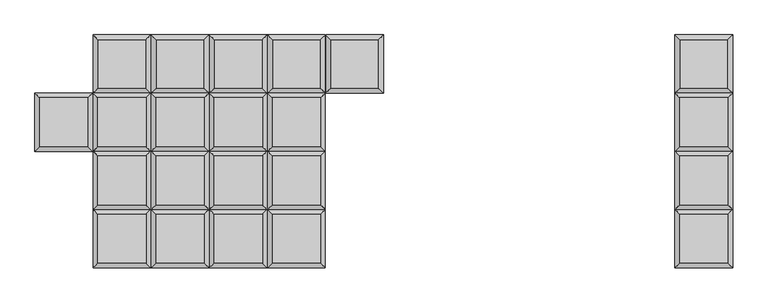
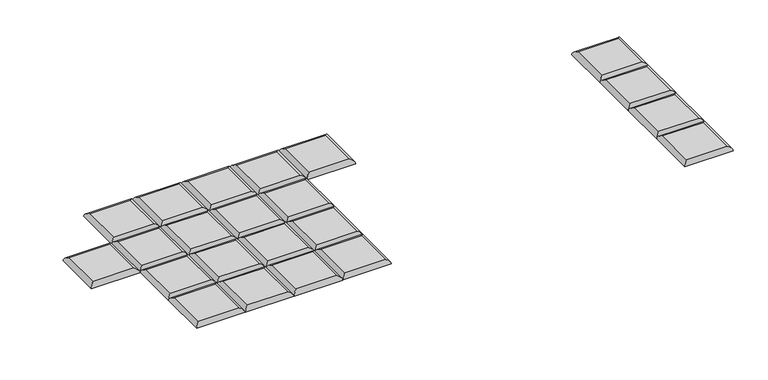
"""IFC4 building model written with IfcOpenShell, lengths in millimetres: furniture geometry."""

from ifc_helpers import new_model, si_unit, frame, origin, place, context, project, spatial, ellipse_curve, source, transform, mapped, element, save
from ifc_brep_helpers import plane_surface, cylinder_surface, advanced_brep


def furniture_31edffc7(model_context):
    return source(origin(), model_context, "Body", "AdvancedBrep", [
        advanced_brep(
        [(-1.0968182, 222.25, 393.7), (-1.0968182, 444.5, 393.7), (-19.0573304, 426.5394878, 411.6605122), (-19.0573304, 240.2105122, 411.6605122), (-220.8068182, 444.5, 393.7), (-202.8463059, 426.5394878, 411.6605122), (-220.8068182, 222.25, 393.7), (-202.8463059, 240.2105122, 411.6605122)],
        [
            (0, 1),
            (1, 2, ellipse_curve(frame((-19.0573304, 426.5394878, 393.7), z_axis=(0.7071067811865475, -0.7071067811865475, 0.0), x_axis=(-0.7071067811865474, -0.7071067811865476, 0.0)), 25.4, 17.9605122)),
            (2, 3),
            (3, 0, ellipse_curve(frame((-19.0573304, 240.2105122, 393.7), z_axis=(0.7071067811865475, 0.7071067811865475, 0.0), x_axis=(0.7071067811865474, -0.7071067811865476, 0.0)), 25.4, 17.9605122)),
            (1, 4),
            (4, 5, ellipse_curve(frame((-202.8463059, 426.5394878, 393.7), z_axis=(0.7071067811865475, 0.7071067811865475, 0.0), x_axis=(0.7071067811865476, -0.7071067811865474, 0.0)), 25.4, 17.9605122)),
            (5, 2),
            (4, 6),
            (6, 7, ellipse_curve(frame((-202.8463059, 240.2105122, 393.7), z_axis=(-0.7071067811865475, 0.7071067811865475, 0.0), x_axis=(0.7071067811865474, 0.7071067811865476, 0.0)), 25.4, 17.9605122)),
            (7, 5),
            (3, 7),
            (6, 0),
        ],
        [
            cylinder_surface(frame((-19.0573304, 222.25, 393.7), z_axis=(0.0, -1.0, 0.0), x_axis=(1.0, 0.0, 0.0)), 17.9605122),
            cylinder_surface(frame((-1.0968182, 426.5394878, 393.7), z_axis=(1.0, 0.0, 0.0), x_axis=(0.0, 1.0, 0.0)), 17.9605122),
            cylinder_surface(frame((-202.8463059, 444.5, 393.7), z_axis=(0.0, 1.0, 0.0), x_axis=(-1.0, 0.0, 0.0)), 17.9605122),
            cylinder_surface(frame((-220.8068182, 240.2105122, 393.7), z_axis=(-1.0, 0.0, 0.0), x_axis=(0.0, -1.0, 0.0)), 17.9605122),
            plane_surface(frame((-220.8068182, 222.25, 393.7), z_axis=(0.0, 0.0, -1.0), x_axis=(1.0, 0.0, 0.0))),
            plane_surface(frame((-202.8463059, 240.2105122, 411.6605122), z_axis=(0.0, 0.0, 1.0), x_axis=(-1.0, 0.0, 0.0))),
        ],
        [
            (0, [[1, 2, 3, 4]]),
            (1, [[5, 6, 7, -2]]),
            (2, [[8, 9, 10, -6]]),
            (3, [[11, -9, 12, -4]]),
            (4, [[-12, -8, -5, -1]]),
            (5, [[-7, -10, -11, -3]]),
        ],
    ),
        advanced_brep(
        [(-240.9609668, 204.2894878, 411.6605122), (-424.7499423, 204.2894878, 411.6605122), (-424.7499423, 17.9605122, 411.6605122), (-240.9609668, 17.9605122, 411.6605122), (-223.0004545, 0.0, 393.7), (-442.7104545, 0.0, 393.7), (-442.7104545, 222.25, 393.7), (-223.0004545, 222.25, 393.7)],
        [
            (0, 1),
            (1, 2),
            (2, 3),
            (3, 0),
            (4, 5),
            (5, 6),
            (6, 7),
            (7, 4),
            (7, 0, ellipse_curve(frame((-240.9609668, 204.2894878, 393.7), z_axis=(0.7071067811865475, -0.7071067811865475, 0.0), x_axis=(-0.7071067811865474, -0.7071067811865476, 0.0)), 25.4, 17.9605122)),
            (3, 4, ellipse_curve(frame((-240.9609668, 17.9605122, 393.7), z_axis=(0.7071067811865475, 0.7071067811865475, 0.0), x_axis=(0.7071067811865474, -0.7071067811865476, 0.0)), 25.4, 17.9605122)),
            (6, 1, ellipse_curve(frame((-424.7499423, 204.2894878, 393.7), z_axis=(0.7071067811865475, 0.7071067811865475, 0.0), x_axis=(0.7071067811865476, -0.7071067811865474, 0.0)), 25.4, 17.9605122)),
            (5, 2, ellipse_curve(frame((-424.7499423, 17.9605122, 393.7), z_axis=(-0.7071067811865475, 0.7071067811865475, 0.0), x_axis=(0.7071067811865474, 0.7071067811865476, 0.0)), 25.4, 17.9605122)),
        ],
        [
            plane_surface(frame((-424.7499423, 17.9605122, 411.6605122), z_axis=(0.0, 0.0, 1.0), x_axis=(-1.0, 0.0, 0.0))),
            plane_surface(frame((-424.7499423, 17.9605122, 393.7), z_axis=(0.0, 0.0, -1.0), x_axis=(1.0, 0.0, 0.0))),
            cylinder_surface(frame((-240.9609668, 0.0, 393.7), z_axis=(0.0, -1.0, 0.0), x_axis=(1.0, 0.0, 0.0)), 17.9605122),
            cylinder_surface(frame((-223.0004545, 204.2894878, 393.7), z_axis=(1.0, 0.0, 0.0), x_axis=(0.0, 1.0, 0.0)), 17.9605122),
            cylinder_surface(frame((-424.7499423, 222.25, 393.7), z_axis=(0.0, 1.0, 0.0), x_axis=(-1.0, 0.0, 0.0)), 17.9605122),
            cylinder_surface(frame((-442.7104545, 17.9605122, 393.7), z_axis=(-1.0, 0.0, 0.0), x_axis=(0.0, -1.0, 0.0)), 17.9605122),
        ],
        [
            (0, [[1, 2, 3, 4]]),
            (1, [[5, 6, 7, 8]]),
            (2, [[-8, 9, -4, 10]]),
            (3, [[-7, 11, -1, -9]]),
            (4, [[-6, 12, -2, -11]]),
            (5, [[-3, -12, -5, -10]]),
        ],
    ),
        advanced_brep(
        [(-240.9609668, -17.9605122, 411.6605122), (-424.7499423, -17.9605122, 411.6605122), (-424.7499423, -204.2894878, 411.6605122), (-240.9609668, -204.2894878, 411.6605122), (-223.0004545, -222.25, 393.7), (-442.7104545, -222.25, 393.7), (-442.7104545, 0.0, 393.7), (-223.0004545, 0.0, 393.7)],
        [
            (0, 1),
            (1, 2),
            (2, 3),
            (3, 0),
            (4, 5),
            (5, 6),
            (6, 7),
            (7, 4),
            (7, 0, ellipse_curve(frame((-240.9609668, -17.9605122, 393.7), z_axis=(0.7071067811865475, -0.7071067811865475, 0.0), x_axis=(-0.7071067811865474, -0.7071067811865476, 0.0)), 25.4, 17.9605122)),
            (3, 4, ellipse_curve(frame((-240.9609668, -204.2894878, 393.7), z_axis=(0.7071067811865475, 0.7071067811865475, 0.0), x_axis=(0.7071067811865474, -0.7071067811865476, 0.0)), 25.4, 17.9605122)),
            (6, 1, ellipse_curve(frame((-424.7499423, -17.9605122, 393.7), z_axis=(0.7071067811865475, 0.7071067811865475, 0.0), x_axis=(0.7071067811865476, -0.7071067811865474, 0.0)), 25.4, 17.9605122)),
            (5, 2, ellipse_curve(frame((-424.7499423, -204.2894878, 393.7), z_axis=(-0.7071067811865475, 0.7071067811865475, 0.0), x_axis=(0.7071067811865474, 0.7071067811865476, 0.0)), 25.4, 17.9605122)),
        ],
        [
            plane_surface(frame((-424.7499423, -204.2894878, 411.6605122), z_axis=(0.0, 0.0, 1.0), x_axis=(-1.0, 0.0, 0.0))),
            plane_surface(frame((-424.7499423, -204.2894878, 393.7), z_axis=(0.0, 0.0, -1.0), x_axis=(1.0, 0.0, 0.0))),
            cylinder_surface(frame((-240.9609668, -222.25, 393.7), z_axis=(0.0, -1.0, 0.0), x_axis=(1.0, 0.0, 0.0)), 17.9605122),
            cylinder_surface(frame((-223.0004545, -17.9605122, 393.7), z_axis=(1.0, 0.0, 0.0), x_axis=(0.0, 1.0, 0.0)), 17.9605122),
            cylinder_surface(frame((-424.7499423, 0.0, 393.7), z_axis=(0.0, 1.0, 0.0), x_axis=(-1.0, 0.0, 0.0)), 17.9605122),
            cylinder_surface(frame((-442.7104545, -204.2894878, 393.7), z_axis=(-1.0, 0.0, 0.0), x_axis=(0.0, -1.0, 0.0)), 17.9605122),
        ],
        [
            (0, [[1, 2, 3, 4]]),
            (1, [[5, 6, 7, 8]]),
            (2, [[-8, 9, -4, 10]]),
            (3, [[-7, 11, -1, -9]]),
            (4, [[-6, 12, -2, -11]]),
            (5, [[-3, -12, -5, -10]]),
        ],
    ),
        advanced_brep(
        [(-240.9609668, -240.2105122, 411.6605122), (-424.7499423, -240.2105122, 411.6605122), (-424.7499423, -426.5394878, 411.6605122), (-240.9609668, -426.5394878, 411.6605122), (-223.0004545, -444.5, 393.7), (-442.7104545, -444.5, 393.7), (-442.7104545, -222.25, 393.7), (-223.0004545, -222.25, 393.7)],
        [
            (0, 1),
            (1, 2),
            (2, 3),
            (3, 0),
            (4, 5),
            (5, 6),
            (6, 7),
            (7, 4),
            (7, 0, ellipse_curve(frame((-240.9609668, -240.2105122, 393.7), z_axis=(0.7071067811865475, -0.7071067811865475, 0.0), x_axis=(-0.7071067811865474, -0.7071067811865476, 0.0)), 25.4, 17.9605122)),
            (3, 4, ellipse_curve(frame((-240.9609668, -426.5394878, 393.7), z_axis=(0.7071067811865475, 0.7071067811865475, 0.0), x_axis=(0.7071067811865474, -0.7071067811865476, 0.0)), 25.4, 17.9605122)),
            (6, 1, ellipse_curve(frame((-424.7499423, -240.2105122, 393.7), z_axis=(0.7071067811865475, 0.7071067811865475, 0.0), x_axis=(0.7071067811865476, -0.7071067811865474, 0.0)), 25.4, 17.9605122)),
            (5, 2, ellipse_curve(frame((-424.7499423, -426.5394878, 393.7), z_axis=(-0.7071067811865475, 0.7071067811865475, 0.0), x_axis=(0.7071067811865474, 0.7071067811865476, 0.0)), 25.4, 17.9605122)),
        ],
        [
            plane_surface(frame((-424.7499423, -426.5394878, 411.6605122), z_axis=(0.0, 0.0, 1.0), x_axis=(-1.0, 0.0, 0.0))),
            plane_surface(frame((-424.7499423, -426.5394878, 393.7), z_axis=(0.0, 0.0, -1.0), x_axis=(1.0, 0.0, 0.0))),
            cylinder_surface(frame((-240.9609668, -444.5, 393.7), z_axis=(0.0, -1.0, 0.0), x_axis=(1.0, 0.0, 0.0)), 17.9605122),
            cylinder_surface(frame((-223.0004545, -240.2105122, 393.7), z_axis=(1.0, 0.0, 0.0), x_axis=(0.0, 1.0, 0.0)), 17.9605122),
            cylinder_surface(frame((-424.7499423, -222.25, 393.7), z_axis=(0.0, 1.0, 0.0), x_axis=(-1.0, 0.0, 0.0)), 17.9605122),
            cylinder_surface(frame((-442.7104545, -426.5394878, 393.7), z_axis=(-1.0, 0.0, 0.0), x_axis=(0.0, -1.0, 0.0)), 17.9605122),
        ],
        [
            (0, [[1, 2, 3, 4]]),
            (1, [[5, 6, 7, 8]]),
            (2, [[-8, 9, -4, 10]]),
            (3, [[-7, 11, -1, -9]]),
            (4, [[-6, 12, -2, -11]]),
            (5, [[-3, -12, -5, -10]]),
        ],
    ),
        advanced_brep(
        [(-223.0004545, 222.25, 393.7), (-223.0004545, 444.5, 393.7), (-240.9609668, 426.5394878, 411.6605122), (-240.9609668, 240.2105122, 411.6605122), (-442.7104545, 444.5, 393.7), (-424.7499423, 426.5394878, 411.6605122), (-442.7104545, 222.25, 393.7), (-424.7499423, 240.2105122, 411.6605122)],
        [
            (0, 1),
            (1, 2, ellipse_curve(frame((-240.9609668, 426.5394878, 393.7), z_axis=(0.7071067811865475, -0.7071067811865475, 0.0), x_axis=(-0.7071067811865474, -0.7071067811865476, 0.0)), 25.4, 17.9605122)),
            (2, 3),
            (3, 0, ellipse_curve(frame((-240.9609668, 240.2105122, 393.7), z_axis=(0.7071067811865475, 0.7071067811865475, 0.0), x_axis=(0.7071067811865474, -0.7071067811865476, 0.0)), 25.4, 17.9605122)),
            (1, 4),
            (4, 5, ellipse_curve(frame((-424.7499423, 426.5394878, 393.7), z_axis=(0.7071067811865475, 0.7071067811865475, 0.0), x_axis=(0.7071067811865476, -0.7071067811865474, 0.0)), 25.4, 17.9605122)),
            (5, 2),
            (4, 6),
            (6, 7, ellipse_curve(frame((-424.7499423, 240.2105122, 393.7), z_axis=(-0.7071067811865475, 0.7071067811865475, 0.0), x_axis=(0.7071067811865474, 0.7071067811865476, 0.0)), 25.4, 17.9605122)),
            (7, 5),
            (3, 7),
            (6, 0),
        ],
        [
            cylinder_surface(frame((-240.9609668, 222.25, 393.7), z_axis=(0.0, -1.0, 0.0), x_axis=(1.0, 0.0, 0.0)), 17.9605122),
            cylinder_surface(frame((-223.0004545, 426.5394878, 393.7), z_axis=(1.0, 0.0, 0.0), x_axis=(0.0, 1.0, 0.0)), 17.9605122),
            cylinder_surface(frame((-424.7499423, 444.5, 393.7), z_axis=(0.0, 1.0, 0.0), x_axis=(-1.0, 0.0, 0.0)), 17.9605122),
            cylinder_surface(frame((-442.7104545, 240.2105122, 393.7), z_axis=(-1.0, 0.0, 0.0), x_axis=(0.0, -1.0, 0.0)), 17.9605122),
            plane_surface(frame((-442.7104545, 222.25, 393.7), z_axis=(0.0, 0.0, -1.0), x_axis=(1.0, 0.0, 0.0))),
            plane_surface(frame((-424.7499423, 240.2105122, 411.6605122), z_axis=(0.0, 0.0, 1.0), x_axis=(-1.0, 0.0, 0.0))),
        ],
        [
            (0, [[1, 2, 3, 4]]),
            (1, [[5, 6, 7, -2]]),
            (2, [[8, 9, 10, -6]]),
            (3, [[11, -9, 12, -4]]),
            (4, [[-12, -8, -5, -1]]),
            (5, [[-7, -10, -11, -3]]),
        ],
    ),
        advanced_brep(
        [(-462.8646032, 204.2894878, 411.6605122), (-646.6535787, 204.2894878, 411.6605122), (-646.6535787, 17.9605122, 411.6605122), (-462.8646032, 17.9605122, 411.6605122), (-444.9040909, 0.0, 393.7), (-664.6140909, 0.0, 393.7), (-664.6140909, 222.25, 393.7), (-444.9040909, 222.25, 393.7)],
        [
            (0, 1),
            (1, 2),
            (2, 3),
            (3, 0),
            (4, 5),
            (5, 6),
            (6, 7),
            (7, 4),
            (7, 0, ellipse_curve(frame((-462.8646032, 204.2894878, 393.7), z_axis=(0.7071067811865475, -0.7071067811865475, 0.0), x_axis=(-0.7071067811865474, -0.7071067811865476, 0.0)), 25.4, 17.9605122)),
            (3, 4, ellipse_curve(frame((-462.8646032, 17.9605122, 393.7), z_axis=(0.7071067811865475, 0.7071067811865475, 0.0), x_axis=(0.7071067811865474, -0.7071067811865476, 0.0)), 25.4, 17.9605122)),
            (6, 1, ellipse_curve(frame((-646.6535787, 204.2894878, 393.7), z_axis=(0.7071067811865475, 0.7071067811865475, 0.0), x_axis=(0.7071067811865476, -0.7071067811865474, 0.0)), 25.4, 17.9605122)),
            (5, 2, ellipse_curve(frame((-646.6535787, 17.9605122, 393.7), z_axis=(-0.7071067811865475, 0.7071067811865475, 0.0), x_axis=(0.7071067811865474, 0.7071067811865476, 0.0)), 25.4, 17.9605122)),
        ],
        [
            plane_surface(frame((-646.6535787, 17.9605122, 411.6605122), z_axis=(0.0, 0.0, 1.0), x_axis=(-1.0, 0.0, 0.0))),
            plane_surface(frame((-646.6535787, 17.9605122, 393.7), z_axis=(0.0, 0.0, -1.0), x_axis=(1.0, 0.0, 0.0))),
            cylinder_surface(frame((-462.8646032, 0.0, 393.7), z_axis=(0.0, -1.0, 0.0), x_axis=(1.0, 0.0, 0.0)), 17.9605122),
            cylinder_surface(frame((-444.9040909, 204.2894878, 393.7), z_axis=(1.0, 0.0, 0.0), x_axis=(0.0, 1.0, 0.0)), 17.9605122),
            cylinder_surface(frame((-646.6535787, 222.25, 393.7), z_axis=(0.0, 1.0, 0.0), x_axis=(-1.0, 0.0, 0.0)), 17.9605122),
            cylinder_surface(frame((-664.6140909, 17.9605122, 393.7), z_axis=(-1.0, 0.0, 0.0), x_axis=(0.0, -1.0, 0.0)), 17.9605122),
        ],
        [
            (0, [[1, 2, 3, 4]]),
            (1, [[5, 6, 7, 8]]),
            (2, [[-8, 9, -4, 10]]),
            (3, [[-7, 11, -1, -9]]),
            (4, [[-6, 12, -2, -11]]),
            (5, [[-3, -12, -5, -10]]),
        ],
    ),
        advanced_brep(
        [(-462.8646032, -17.9605122, 411.6605122), (-646.6535787, -17.9605122, 411.6605122), (-646.6535787, -204.2894878, 411.6605122), (-462.8646032, -204.2894878, 411.6605122), (-444.9040909, -222.25, 393.7), (-664.6140909, -222.25, 393.7), (-664.6140909, 0.0, 393.7), (-444.9040909, 0.0, 393.7)],
        [
            (0, 1),
            (1, 2),
            (2, 3),
            (3, 0),
            (4, 5),
            (5, 6),
            (6, 7),
            (7, 4),
            (7, 0, ellipse_curve(frame((-462.8646032, -17.9605122, 393.7), z_axis=(0.7071067811865475, -0.7071067811865475, 0.0), x_axis=(-0.7071067811865474, -0.7071067811865476, 0.0)), 25.4, 17.9605122)),
            (3, 4, ellipse_curve(frame((-462.8646032, -204.2894878, 393.7), z_axis=(0.7071067811865475, 0.7071067811865475, 0.0), x_axis=(0.7071067811865474, -0.7071067811865476, 0.0)), 25.4, 17.9605122)),
            (6, 1, ellipse_curve(frame((-646.6535787, -17.9605122, 393.7), z_axis=(0.7071067811865475, 0.7071067811865475, 0.0), x_axis=(0.7071067811865476, -0.7071067811865474, 0.0)), 25.4, 17.9605122)),
            (5, 2, ellipse_curve(frame((-646.6535787, -204.2894878, 393.7), z_axis=(-0.7071067811865475, 0.7071067811865475, 0.0), x_axis=(0.7071067811865474, 0.7071067811865476, 0.0)), 25.4, 17.9605122)),
        ],
        [
            plane_surface(frame((-646.6535787, -204.2894878, 411.6605122), z_axis=(0.0, 0.0, 1.0), x_axis=(-1.0, 0.0, 0.0))),
            plane_surface(frame((-646.6535787, -204.2894878, 393.7), z_axis=(0.0, 0.0, -1.0), x_axis=(1.0, 0.0, 0.0))),
            cylinder_surface(frame((-462.8646032, -222.25, 393.7), z_axis=(0.0, -1.0, 0.0), x_axis=(1.0, 0.0, 0.0)), 17.9605122),
            cylinder_surface(frame((-444.9040909, -17.9605122, 393.7), z_axis=(1.0, 0.0, 0.0), x_axis=(0.0, 1.0, 0.0)), 17.9605122),
            cylinder_surface(frame((-646.6535787, 0.0, 393.7), z_axis=(0.0, 1.0, 0.0), x_axis=(-1.0, 0.0, 0.0)), 17.9605122),
            cylinder_surface(frame((-664.6140909, -204.2894878, 393.7), z_axis=(-1.0, 0.0, 0.0), x_axis=(0.0, -1.0, 0.0)), 17.9605122),
        ],
        [
            (0, [[1, 2, 3, 4]]),
            (1, [[5, 6, 7, 8]]),
            (2, [[-8, 9, -4, 10]]),
            (3, [[-7, 11, -1, -9]]),
            (4, [[-6, 12, -2, -11]]),
            (5, [[-3, -12, -5, -10]]),
        ],
    ),
        advanced_brep(
        [(-462.8646032, -240.2105122, 411.6605122), (-646.6535787, -240.2105122, 411.6605122), (-646.6535787, -426.5394878, 411.6605122), (-462.8646032, -426.5394878, 411.6605122), (-444.9040909, -444.5, 393.7), (-664.6140909, -444.5, 393.7), (-664.6140909, -222.25, 393.7), (-444.9040909, -222.25, 393.7)],
        [
            (0, 1),
            (1, 2),
            (2, 3),
            (3, 0),
            (4, 5),
            (5, 6),
            (6, 7),
            (7, 4),
            (7, 0, ellipse_curve(frame((-462.8646032, -240.2105122, 393.7), z_axis=(0.7071067811865475, -0.7071067811865475, 0.0), x_axis=(-0.7071067811865474, -0.7071067811865476, 0.0)), 25.4, 17.9605122)),
            (3, 4, ellipse_curve(frame((-462.8646032, -426.5394878, 393.7), z_axis=(0.7071067811865475, 0.7071067811865475, 0.0), x_axis=(0.7071067811865474, -0.7071067811865476, 0.0)), 25.4, 17.9605122)),
            (6, 1, ellipse_curve(frame((-646.6535787, -240.2105122, 393.7), z_axis=(0.7071067811865475, 0.7071067811865475, 0.0), x_axis=(0.7071067811865476, -0.7071067811865474, 0.0)), 25.4, 17.9605122)),
            (5, 2, ellipse_curve(frame((-646.6535787, -426.5394878, 393.7), z_axis=(-0.7071067811865475, 0.7071067811865475, 0.0), x_axis=(0.7071067811865474, 0.7071067811865476, 0.0)), 25.4, 17.9605122)),
        ],
        [
            plane_surface(frame((-646.6535787, -426.5394878, 411.6605122), z_axis=(0.0, 0.0, 1.0), x_axis=(-1.0, 0.0, 0.0))),
            plane_surface(frame((-646.6535787, -426.5394878, 393.7), z_axis=(0.0, 0.0, -1.0), x_axis=(1.0, 0.0, 0.0))),
            cylinder_surface(frame((-462.8646032, -444.5, 393.7), z_axis=(0.0, -1.0, 0.0), x_axis=(1.0, 0.0, 0.0)), 17.9605122),
            cylinder_surface(frame((-444.9040909, -240.2105122, 393.7), z_axis=(1.0, 0.0, 0.0), x_axis=(0.0, 1.0, 0.0)), 17.9605122),
            cylinder_surface(frame((-646.6535787, -222.25, 393.7), z_axis=(0.0, 1.0, 0.0), x_axis=(-1.0, 0.0, 0.0)), 17.9605122),
            cylinder_surface(frame((-664.6140909, -426.5394878, 393.7), z_axis=(-1.0, 0.0, 0.0), x_axis=(0.0, -1.0, 0.0)), 17.9605122),
        ],
        [
            (0, [[1, 2, 3, 4]]),
            (1, [[5, 6, 7, 8]]),
            (2, [[-8, 9, -4, 10]]),
            (3, [[-7, 11, -1, -9]]),
            (4, [[-6, 12, -2, -11]]),
            (5, [[-3, -12, -5, -10]]),
        ],
    ),
        advanced_brep(
        [(-444.9040909, 222.25, 393.7), (-444.9040909, 444.5, 393.7), (-462.8646032, 426.5394878, 411.6605122), (-462.8646032, 240.2105122, 411.6605122), (-664.6140909, 444.5, 393.7), (-646.6535787, 426.5394878, 411.6605122), (-664.6140909, 222.25, 393.7), (-646.6535787, 240.2105122, 411.6605122)],
        [
            (0, 1),
            (1, 2, ellipse_curve(frame((-462.8646032, 426.5394878, 393.7), z_axis=(0.7071067811865475, -0.7071067811865475, 0.0), x_axis=(-0.7071067811865474, -0.7071067811865476, 0.0)), 25.4, 17.9605122)),
            (2, 3),
            (3, 0, ellipse_curve(frame((-462.8646032, 240.2105122, 393.7), z_axis=(0.7071067811865475, 0.7071067811865475, 0.0), x_axis=(0.7071067811865474, -0.7071067811865476, 0.0)), 25.4, 17.9605122)),
            (1, 4),
            (4, 5, ellipse_curve(frame((-646.6535787, 426.5394878, 393.7), z_axis=(0.7071067811865475, 0.7071067811865475, 0.0), x_axis=(0.7071067811865476, -0.7071067811865474, 0.0)), 25.4, 17.9605122)),
            (5, 2),
            (4, 6),
            (6, 7, ellipse_curve(frame((-646.6535787, 240.2105122, 393.7), z_axis=(-0.7071067811865475, 0.7071067811865475, 0.0), x_axis=(0.7071067811865474, 0.7071067811865476, 0.0)), 25.4, 17.9605122)),
            (7, 5),
            (3, 7),
            (6, 0),
        ],
        [
            cylinder_surface(frame((-462.8646032, 222.25, 393.7), z_axis=(0.0, -1.0, 0.0), x_axis=(1.0, 0.0, 0.0)), 17.9605122),
            cylinder_surface(frame((-444.9040909, 426.5394878, 393.7), z_axis=(1.0, 0.0, 0.0), x_axis=(0.0, 1.0, 0.0)), 17.9605122),
            cylinder_surface(frame((-646.6535787, 444.5, 393.7), z_axis=(0.0, 1.0, 0.0), x_axis=(-1.0, 0.0, 0.0)), 17.9605122),
            cylinder_surface(frame((-664.6140909, 240.2105122, 393.7), z_axis=(-1.0, 0.0, 0.0), x_axis=(0.0, -1.0, 0.0)), 17.9605122),
            plane_surface(frame((-664.6140909, 222.25, 393.7), z_axis=(0.0, 0.0, -1.0), x_axis=(1.0, 0.0, 0.0))),
            plane_surface(frame((-646.6535787, 240.2105122, 411.6605122), z_axis=(0.0, 0.0, 1.0), x_axis=(-1.0, 0.0, 0.0))),
        ],
        [
            (0, [[1, 2, 3, 4]]),
            (1, [[5, 6, 7, -2]]),
            (2, [[8, 9, 10, -6]]),
            (3, [[11, -9, 12, -4]]),
            (4, [[-12, -8, -5, -1]]),
            (5, [[-7, -10, -11, -3]]),
        ],
    ),
        advanced_brep(
        [(-684.7682395, 204.2894878, 411.6605122), (-868.557215, 204.2894878, 411.6605122), (-868.557215, 17.9605122, 411.6605122), (-684.7682395, 17.9605122, 411.6605122), (-666.8077273, 0.0, 393.7), (-886.5177273, 0.0, 393.7), (-886.5177273, 222.25, 393.7), (-666.8077273, 222.25, 393.7)],
        [
            (0, 1),
            (1, 2),
            (2, 3),
            (3, 0),
            (4, 5),
            (5, 6),
            (6, 7),
            (7, 4),
            (7, 0, ellipse_curve(frame((-684.7682395, 204.2894878, 393.7), z_axis=(0.7071067811865475, -0.7071067811865475, 0.0), x_axis=(-0.7071067811865474, -0.7071067811865476, 0.0)), 25.4, 17.9605122)),
            (3, 4, ellipse_curve(frame((-684.7682395, 17.9605122, 393.7), z_axis=(0.7071067811865475, 0.7071067811865475, 0.0), x_axis=(0.7071067811865474, -0.7071067811865476, 0.0)), 25.4, 17.9605122)),
            (6, 1, ellipse_curve(frame((-868.557215, 204.2894878, 393.7), z_axis=(0.7071067811865475, 0.7071067811865475, 0.0), x_axis=(0.7071067811865476, -0.7071067811865474, 0.0)), 25.4, 17.9605122)),
            (5, 2, ellipse_curve(frame((-868.557215, 17.9605122, 393.7), z_axis=(-0.7071067811865475, 0.7071067811865475, 0.0), x_axis=(0.7071067811865474, 0.7071067811865476, 0.0)), 25.4, 17.9605122)),
        ],
        [
            plane_surface(frame((-868.557215, 17.9605122, 411.6605122), z_axis=(0.0, 0.0, 1.0), x_axis=(-1.0, 0.0, 0.0))),
            plane_surface(frame((-868.557215, 17.9605122, 393.7), z_axis=(0.0, 0.0, -1.0), x_axis=(1.0, 0.0, 0.0))),
            cylinder_surface(frame((-684.7682395, 0.0, 393.7), z_axis=(0.0, -1.0, 0.0), x_axis=(1.0, 0.0, 0.0)), 17.9605122),
            cylinder_surface(frame((-666.8077273, 204.2894878, 393.7), z_axis=(1.0, 0.0, 0.0), x_axis=(0.0, 1.0, 0.0)), 17.9605122),
            cylinder_surface(frame((-868.557215, 222.25, 393.7), z_axis=(0.0, 1.0, 0.0), x_axis=(-1.0, 0.0, 0.0)), 17.9605122),
            cylinder_surface(frame((-886.5177273, 17.9605122, 393.7), z_axis=(-1.0, 0.0, 0.0), x_axis=(0.0, -1.0, 0.0)), 17.9605122),
        ],
        [
            (0, [[1, 2, 3, 4]]),
            (1, [[5, 6, 7, 8]]),
            (2, [[-8, 9, -4, 10]]),
            (3, [[-7, 11, -1, -9]]),
            (4, [[-6, 12, -2, -11]]),
            (5, [[-3, -12, -5, -10]]),
        ],
    ),
        advanced_brep(
        [(-684.7682395, -17.9605122, 411.6605122), (-868.557215, -17.9605122, 411.6605122), (-868.557215, -204.2894878, 411.6605122), (-684.7682395, -204.2894878, 411.6605122), (-666.8077273, -222.25, 393.7), (-886.5177273, -222.25, 393.7), (-886.5177273, 0.0, 393.7), (-666.8077273, 0.0, 393.7)],
        [
            (0, 1),
            (1, 2),
            (2, 3),
            (3, 0),
            (4, 5),
            (5, 6),
            (6, 7),
            (7, 4),
            (7, 0, ellipse_curve(frame((-684.7682395, -17.9605122, 393.7), z_axis=(0.7071067811865475, -0.7071067811865475, 0.0), x_axis=(-0.7071067811865474, -0.7071067811865476, 0.0)), 25.4, 17.9605122)),
            (3, 4, ellipse_curve(frame((-684.7682395, -204.2894878, 393.7), z_axis=(0.7071067811865475, 0.7071067811865475, 0.0), x_axis=(0.7071067811865474, -0.7071067811865476, 0.0)), 25.4, 17.9605122)),
            (6, 1, ellipse_curve(frame((-868.557215, -17.9605122, 393.7), z_axis=(0.7071067811865475, 0.7071067811865475, 0.0), x_axis=(0.7071067811865476, -0.7071067811865474, 0.0)), 25.4, 17.9605122)),
            (5, 2, ellipse_curve(frame((-868.557215, -204.2894878, 393.7), z_axis=(-0.7071067811865475, 0.7071067811865475, 0.0), x_axis=(0.7071067811865474, 0.7071067811865476, 0.0)), 25.4, 17.9605122)),
        ],
        [
            plane_surface(frame((-868.557215, -204.2894878, 411.6605122), z_axis=(0.0, 0.0, 1.0), x_axis=(-1.0, 0.0, 0.0))),
            plane_surface(frame((-868.557215, -204.2894878, 393.7), z_axis=(0.0, 0.0, -1.0), x_axis=(1.0, 0.0, 0.0))),
            cylinder_surface(frame((-684.7682395, -222.25, 393.7), z_axis=(0.0, -1.0, 0.0), x_axis=(1.0, 0.0, 0.0)), 17.9605122),
            cylinder_surface(frame((-666.8077273, -17.9605122, 393.7), z_axis=(1.0, 0.0, 0.0), x_axis=(0.0, 1.0, 0.0)), 17.9605122),
            cylinder_surface(frame((-868.557215, 0.0, 393.7), z_axis=(0.0, 1.0, 0.0), x_axis=(-1.0, 0.0, 0.0)), 17.9605122),
            cylinder_surface(frame((-886.5177273, -204.2894878, 393.7), z_axis=(-1.0, 0.0, 0.0), x_axis=(0.0, -1.0, 0.0)), 17.9605122),
        ],
        [
            (0, [[1, 2, 3, 4]]),
            (1, [[5, 6, 7, 8]]),
            (2, [[-8, 9, -4, 10]]),
            (3, [[-7, 11, -1, -9]]),
            (4, [[-6, 12, -2, -11]]),
            (5, [[-3, -12, -5, -10]]),
        ],
    ),
        advanced_brep(
        [(-684.7682395, -240.2105122, 411.6605122), (-868.557215, -240.2105122, 411.6605122), (-868.557215, -426.5394878, 411.6605122), (-684.7682395, -426.5394878, 411.6605122), (-666.8077273, -444.5, 393.7), (-886.5177273, -444.5, 393.7), (-886.5177273, -222.25, 393.7), (-666.8077273, -222.25, 393.7)],
        [
            (0, 1),
            (1, 2),
            (2, 3),
            (3, 0),
            (4, 5),
            (5, 6),
            (6, 7),
            (7, 4),
            (7, 0, ellipse_curve(frame((-684.7682395, -240.2105122, 393.7), z_axis=(0.7071067811865475, -0.7071067811865475, 0.0), x_axis=(-0.7071067811865474, -0.7071067811865476, 0.0)), 25.4, 17.9605122)),
            (3, 4, ellipse_curve(frame((-684.7682395, -426.5394878, 393.7), z_axis=(0.7071067811865475, 0.7071067811865475, 0.0), x_axis=(0.7071067811865474, -0.7071067811865476, 0.0)), 25.4, 17.9605122)),
            (6, 1, ellipse_curve(frame((-868.557215, -240.2105122, 393.7), z_axis=(0.7071067811865475, 0.7071067811865475, 0.0), x_axis=(0.7071067811865476, -0.7071067811865474, 0.0)), 25.4, 17.9605122)),
            (5, 2, ellipse_curve(frame((-868.557215, -426.5394878, 393.7), z_axis=(-0.7071067811865475, 0.7071067811865475, 0.0), x_axis=(0.7071067811865474, 0.7071067811865476, 0.0)), 25.4, 17.9605122)),
        ],
        [
            plane_surface(frame((-868.557215, -426.5394878, 411.6605122), z_axis=(0.0, 0.0, 1.0), x_axis=(-1.0, 0.0, 0.0))),
            plane_surface(frame((-868.557215, -426.5394878, 393.7), z_axis=(0.0, 0.0, -1.0), x_axis=(1.0, 0.0, 0.0))),
            cylinder_surface(frame((-684.7682395, -444.5, 393.7), z_axis=(0.0, -1.0, 0.0), x_axis=(1.0, 0.0, 0.0)), 17.9605122),
            cylinder_surface(frame((-666.8077273, -240.2105122, 393.7), z_axis=(1.0, 0.0, 0.0), x_axis=(0.0, 1.0, 0.0)), 17.9605122),
            cylinder_surface(frame((-868.557215, -222.25, 393.7), z_axis=(0.0, 1.0, 0.0), x_axis=(-1.0, 0.0, 0.0)), 17.9605122),
            cylinder_surface(frame((-886.5177273, -426.5394878, 393.7), z_axis=(-1.0, 0.0, 0.0), x_axis=(0.0, -1.0, 0.0)), 17.9605122),
        ],
        [
            (0, [[1, 2, 3, 4]]),
            (1, [[5, 6, 7, 8]]),
            (2, [[-8, 9, -4, 10]]),
            (3, [[-7, 11, -1, -9]]),
            (4, [[-6, 12, -2, -11]]),
            (5, [[-3, -12, -5, -10]]),
        ],
    ),
        advanced_brep(
        [(-666.8077273, 222.25, 393.7), (-666.8077273, 444.5, 393.7), (-684.7682395, 426.5394878, 411.6605122), (-684.7682395, 240.2105122, 411.6605122), (-886.5177273, 444.5, 393.7), (-868.557215, 426.5394878, 411.6605122), (-886.5177273, 222.25, 393.7), (-868.557215, 240.2105122, 411.6605122)],
        [
            (0, 1),
            (1, 2, ellipse_curve(frame((-684.7682395, 426.5394878, 393.7), z_axis=(0.7071067811865475, -0.7071067811865475, 0.0), x_axis=(-0.7071067811865474, -0.7071067811865476, 0.0)), 25.4, 17.9605122)),
            (2, 3),
            (3, 0, ellipse_curve(frame((-684.7682395, 240.2105122, 393.7), z_axis=(0.7071067811865475, 0.7071067811865475, 0.0), x_axis=(0.7071067811865474, -0.7071067811865476, 0.0)), 25.4, 17.9605122)),
            (1, 4),
            (4, 5, ellipse_curve(frame((-868.557215, 426.5394878, 393.7), z_axis=(0.7071067811865475, 0.7071067811865475, 0.0), x_axis=(0.7071067811865476, -0.7071067811865474, 0.0)), 25.4, 17.9605122)),
            (5, 2),
            (4, 6),
            (6, 7, ellipse_curve(frame((-868.557215, 240.2105122, 393.7), z_axis=(-0.7071067811865475, 0.7071067811865475, 0.0), x_axis=(0.7071067811865474, 0.7071067811865476, 0.0)), 25.4, 17.9605122)),
            (7, 5),
            (3, 7),
            (6, 0),
        ],
        [
            cylinder_surface(frame((-684.7682395, 222.25, 393.7), z_axis=(0.0, -1.0, 0.0), x_axis=(1.0, 0.0, 0.0)), 17.9605122),
            cylinder_surface(frame((-666.8077273, 426.5394878, 393.7), z_axis=(1.0, 0.0, 0.0), x_axis=(0.0, 1.0, 0.0)), 17.9605122),
            cylinder_surface(frame((-868.557215, 444.5, 393.7), z_axis=(0.0, 1.0, 0.0), x_axis=(-1.0, 0.0, 0.0)), 17.9605122),
            cylinder_surface(frame((-886.5177273, 240.2105122, 393.7), z_axis=(-1.0, 0.0, 0.0), x_axis=(0.0, -1.0, 0.0)), 17.9605122),
            plane_surface(frame((-886.5177273, 222.25, 393.7), z_axis=(0.0, 0.0, -1.0), x_axis=(1.0, 0.0, 0.0))),
            plane_surface(frame((-868.557215, 240.2105122, 411.6605122), z_axis=(0.0, 0.0, 1.0), x_axis=(-1.0, 0.0, 0.0))),
        ],
        [
            (0, [[1, 2, 3, 4]]),
            (1, [[5, 6, 7, -2]]),
            (2, [[8, 9, 10, -6]]),
            (3, [[11, -9, 12, -4]]),
            (4, [[-12, -8, -5, -1]]),
            (5, [[-7, -10, -11, -3]]),
        ],
    ),
        advanced_brep(
        [(-906.6718759, 204.2894878, 411.6605122), (-1090.4608514, 204.2894878, 411.6605122), (-1090.4608514, 17.9605122, 411.6605122), (-906.6718759, 17.9605122, 411.6605122), (-888.7113636, 0.0, 393.7), (-1108.4213636, 0.0, 393.7), (-1108.4213636, 222.25, 393.7), (-888.7113636, 222.25, 393.7)],
        [
            (0, 1),
            (1, 2),
            (2, 3),
            (3, 0),
            (4, 5),
            (5, 6),
            (6, 7),
            (7, 4),
            (7, 0, ellipse_curve(frame((-906.6718759, 204.2894878, 393.7), z_axis=(0.7071067811865475, -0.7071067811865475, 0.0), x_axis=(-0.7071067811865474, -0.7071067811865476, 0.0)), 25.4, 17.9605122)),
            (3, 4, ellipse_curve(frame((-906.6718759, 17.9605122, 393.7), z_axis=(0.7071067811865475, 0.7071067811865475, 0.0), x_axis=(0.7071067811865474, -0.7071067811865476, 0.0)), 25.4, 17.9605122)),
            (6, 1, ellipse_curve(frame((-1090.4608514, 204.2894878, 393.7), z_axis=(0.7071067811865475, 0.7071067811865475, 0.0), x_axis=(0.7071067811865476, -0.7071067811865474, 0.0)), 25.4, 17.9605122)),
            (5, 2, ellipse_curve(frame((-1090.4608514, 17.9605122, 393.7), z_axis=(-0.7071067811865475, 0.7071067811865475, 0.0), x_axis=(0.7071067811865474, 0.7071067811865476, 0.0)), 25.4, 17.9605122)),
        ],
        [
            plane_surface(frame((-1090.4608514, 17.9605122, 411.6605122), z_axis=(0.0, 0.0, 1.0), x_axis=(-1.0, 0.0, 0.0))),
            plane_surface(frame((-1090.4608514, 17.9605122, 393.7), z_axis=(0.0, 0.0, -1.0), x_axis=(1.0, 0.0, 0.0))),
            cylinder_surface(frame((-906.6718759, 0.0, 393.7), z_axis=(0.0, -1.0, 0.0), x_axis=(1.0, 0.0, 0.0)), 17.9605122),
            cylinder_surface(frame((-888.7113636, 204.2894878, 393.7), z_axis=(1.0, 0.0, 0.0), x_axis=(0.0, 1.0, 0.0)), 17.9605122),
            cylinder_surface(frame((-1090.4608514, 222.25, 393.7), z_axis=(0.0, 1.0, 0.0), x_axis=(-1.0, 0.0, 0.0)), 17.9605122),
            cylinder_surface(frame((-1108.4213636, 17.9605122, 393.7), z_axis=(-1.0, 0.0, 0.0), x_axis=(0.0, -1.0, 0.0)), 17.9605122),
        ],
        [
            (0, [[1, 2, 3, 4]]),
            (1, [[5, 6, 7, 8]]),
            (2, [[-8, 9, -4, 10]]),
            (3, [[-7, 11, -1, -9]]),
            (4, [[-6, 12, -2, -11]]),
            (5, [[-3, -12, -5, -10]]),
        ],
    ),
        advanced_brep(
        [(-906.6718759, -17.9605122, 411.6605122), (-1090.4608514, -17.9605122, 411.6605122), (-1090.4608514, -204.2894878, 411.6605122), (-906.6718759, -204.2894878, 411.6605122), (-888.7113636, -222.25, 393.7), (-1108.4213636, -222.25, 393.7), (-1108.4213636, 0.0, 393.7), (-888.7113636, 0.0, 393.7)],
        [
            (0, 1),
            (1, 2),
            (2, 3),
            (3, 0),
            (4, 5),
            (5, 6),
            (6, 7),
            (7, 4),
            (7, 0, ellipse_curve(frame((-906.6718759, -17.9605122, 393.7), z_axis=(0.7071067811865475, -0.7071067811865475, 0.0), x_axis=(-0.7071067811865474, -0.7071067811865476, 0.0)), 25.4, 17.9605122)),
            (3, 4, ellipse_curve(frame((-906.6718759, -204.2894878, 393.7), z_axis=(0.7071067811865475, 0.7071067811865475, 0.0), x_axis=(0.7071067811865474, -0.7071067811865476, 0.0)), 25.4, 17.9605122)),
            (6, 1, ellipse_curve(frame((-1090.4608514, -17.9605122, 393.7), z_axis=(0.7071067811865475, 0.7071067811865475, 0.0), x_axis=(0.7071067811865476, -0.7071067811865474, 0.0)), 25.4, 17.9605122)),
            (5, 2, ellipse_curve(frame((-1090.4608514, -204.2894878, 393.7), z_axis=(-0.7071067811865475, 0.7071067811865475, 0.0), x_axis=(0.7071067811865474, 0.7071067811865476, 0.0)), 25.4, 17.9605122)),
        ],
        [
            plane_surface(frame((-1090.4608514, -204.2894878, 411.6605122), z_axis=(0.0, 0.0, 1.0), x_axis=(-1.0, 0.0, 0.0))),
            plane_surface(frame((-1090.4608514, -204.2894878, 393.7), z_axis=(0.0, 0.0, -1.0), x_axis=(1.0, 0.0, 0.0))),
            cylinder_surface(frame((-906.6718759, -222.25, 393.7), z_axis=(0.0, -1.0, 0.0), x_axis=(1.0, 0.0, 0.0)), 17.9605122),
            cylinder_surface(frame((-888.7113636, -17.9605122, 393.7), z_axis=(1.0, 0.0, 0.0), x_axis=(0.0, 1.0, 0.0)), 17.9605122),
            cylinder_surface(frame((-1090.4608514, 0.0, 393.7), z_axis=(0.0, 1.0, 0.0), x_axis=(-1.0, 0.0, 0.0)), 17.9605122),
            cylinder_surface(frame((-1108.4213636, -204.2894878, 393.7), z_axis=(-1.0, 0.0, 0.0), x_axis=(0.0, -1.0, 0.0)), 17.9605122),
        ],
        [
            (0, [[1, 2, 3, 4]]),
            (1, [[5, 6, 7, 8]]),
            (2, [[-8, 9, -4, 10]]),
            (3, [[-7, 11, -1, -9]]),
            (4, [[-6, 12, -2, -11]]),
            (5, [[-3, -12, -5, -10]]),
        ],
    ),
        advanced_brep(
        [(-906.6718759, -240.2105122, 411.6605122), (-1090.4608514, -240.2105122, 411.6605122), (-1090.4608514, -426.5394878, 411.6605122), (-906.6718759, -426.5394878, 411.6605122), (-888.7113636, -444.5, 393.7), (-1108.4213636, -444.5, 393.7), (-1108.4213636, -222.25, 393.7), (-888.7113636, -222.25, 393.7)],
        [
            (0, 1),
            (1, 2),
            (2, 3),
            (3, 0),
            (4, 5),
            (5, 6),
            (6, 7),
            (7, 4),
            (7, 0, ellipse_curve(frame((-906.6718759, -240.2105122, 393.7), z_axis=(0.7071067811865475, -0.7071067811865475, 0.0), x_axis=(-0.7071067811865474, -0.7071067811865476, 0.0)), 25.4, 17.9605122)),
            (3, 4, ellipse_curve(frame((-906.6718759, -426.5394878, 393.7), z_axis=(0.7071067811865475, 0.7071067811865475, 0.0), x_axis=(0.7071067811865474, -0.7071067811865476, 0.0)), 25.4, 17.9605122)),
            (6, 1, ellipse_curve(frame((-1090.4608514, -240.2105122, 393.7), z_axis=(0.7071067811865475, 0.7071067811865475, 0.0), x_axis=(0.7071067811865476, -0.7071067811865474, 0.0)), 25.4, 17.9605122)),
            (5, 2, ellipse_curve(frame((-1090.4608514, -426.5394878, 393.7), z_axis=(-0.7071067811865475, 0.7071067811865475, 0.0), x_axis=(0.7071067811865474, 0.7071067811865476, 0.0)), 25.4, 17.9605122)),
        ],
        [
            plane_surface(frame((-1090.4608514, -426.5394878, 411.6605122), z_axis=(0.0, 0.0, 1.0), x_axis=(-1.0, 0.0, 0.0))),
            plane_surface(frame((-1090.4608514, -426.5394878, 393.7), z_axis=(0.0, 0.0, -1.0), x_axis=(1.0, 0.0, 0.0))),
            cylinder_surface(frame((-906.6718759, -444.5, 393.7), z_axis=(0.0, -1.0, 0.0), x_axis=(1.0, 0.0, 0.0)), 17.9605122),
            cylinder_surface(frame((-888.7113636, -240.2105122, 393.7), z_axis=(1.0, 0.0, 0.0), x_axis=(0.0, 1.0, 0.0)), 17.9605122),
            cylinder_surface(frame((-1090.4608514, -222.25, 393.7), z_axis=(0.0, 1.0, 0.0), x_axis=(-1.0, 0.0, 0.0)), 17.9605122),
            cylinder_surface(frame((-1108.4213636, -426.5394878, 393.7), z_axis=(-1.0, 0.0, 0.0), x_axis=(0.0, -1.0, 0.0)), 17.9605122),
        ],
        [
            (0, [[1, 2, 3, 4]]),
            (1, [[5, 6, 7, 8]]),
            (2, [[-8, 9, -4, 10]]),
            (3, [[-7, 11, -1, -9]]),
            (4, [[-6, 12, -2, -11]]),
            (5, [[-3, -12, -5, -10]]),
        ],
    ),
        advanced_brep(
        [(-888.7113636, 222.25, 393.7), (-888.7113636, 444.5, 393.7), (-906.6718759, 426.5394878, 411.6605122), (-906.6718759, 240.2105122, 411.6605122), (-1108.4213636, 444.5, 393.7), (-1090.4608514, 426.5394878, 411.6605122), (-1108.4213636, 222.25, 393.7), (-1090.4608514, 240.2105122, 411.6605122)],
        [
            (0, 1),
            (1, 2, ellipse_curve(frame((-906.6718759, 426.5394878, 393.7), z_axis=(0.7071067811865475, -0.7071067811865475, 0.0), x_axis=(-0.7071067811865474, -0.7071067811865476, 0.0)), 25.4, 17.9605122)),
            (2, 3),
            (3, 0, ellipse_curve(frame((-906.6718759, 240.2105122, 393.7), z_axis=(0.7071067811865475, 0.7071067811865475, 0.0), x_axis=(0.7071067811865474, -0.7071067811865476, 0.0)), 25.4, 17.9605122)),
            (1, 4),
            (4, 5, ellipse_curve(frame((-1090.4608514, 426.5394878, 393.7), z_axis=(0.7071067811865475, 0.7071067811865475, 0.0), x_axis=(0.7071067811865476, -0.7071067811865474, 0.0)), 25.4, 17.9605122)),
            (5, 2),
            (4, 6),
            (6, 7, ellipse_curve(frame((-1090.4608514, 240.2105122, 393.7), z_axis=(-0.7071067811865475, 0.7071067811865475, 0.0), x_axis=(0.7071067811865474, 0.7071067811865476, 0.0)), 25.4, 17.9605122)),
            (7, 5),
            (3, 7),
            (6, 0),
        ],
        [
            cylinder_surface(frame((-906.6718759, 222.25, 393.7), z_axis=(0.0, -1.0, 0.0), x_axis=(1.0, 0.0, 0.0)), 17.9605122),
            cylinder_surface(frame((-888.7113636, 426.5394878, 393.7), z_axis=(1.0, 0.0, 0.0), x_axis=(0.0, 1.0, 0.0)), 17.9605122),
            cylinder_surface(frame((-1090.4608514, 444.5, 393.7), z_axis=(0.0, 1.0, 0.0), x_axis=(-1.0, 0.0, 0.0)), 17.9605122),
            cylinder_surface(frame((-1108.4213636, 240.2105122, 393.7), z_axis=(-1.0, 0.0, 0.0), x_axis=(0.0, -1.0, 0.0)), 17.9605122),
            plane_surface(frame((-1108.4213636, 222.25, 393.7), z_axis=(0.0, 0.0, -1.0), x_axis=(1.0, 0.0, 0.0))),
            plane_surface(frame((-1090.4608514, 240.2105122, 411.6605122), z_axis=(0.0, 0.0, 1.0), x_axis=(-1.0, 0.0, 0.0))),
        ],
        [
            (0, [[1, 2, 3, 4]]),
            (1, [[5, 6, 7, -2]]),
            (2, [[8, 9, 10, -6]]),
            (3, [[11, -9, 12, -4]]),
            (4, [[-12, -8, -5, -1]]),
            (5, [[-7, -10, -11, -3]]),
        ],
    ),
        advanced_brep(
        [(1312.3644878, 204.2894878, 411.6605122), (1128.5755122, 204.2894878, 411.6605122), (1128.5755122, 17.9605122, 411.6605122), (1312.3644878, 17.9605122, 411.6605122), (1330.325, 0.0, 393.7), (1110.615, 0.0, 393.7), (1110.615, 222.25, 393.7), (1330.325, 222.25, 393.7)],
        [
            (0, 1),
            (1, 2),
            (2, 3),
            (3, 0),
            (4, 5),
            (5, 6),
            (6, 7),
            (7, 4),
            (7, 0, ellipse_curve(frame((1312.3644878, 204.2894878, 393.7), z_axis=(0.7071067811865475, -0.7071067811865475, 0.0), x_axis=(-0.7071067811865474, -0.7071067811865476, 0.0)), 25.4, 17.9605122)),
            (3, 4, ellipse_curve(frame((1312.3644878, 17.9605122, 393.7), z_axis=(0.7071067811865475, 0.7071067811865475, 0.0), x_axis=(0.7071067811865474, -0.7071067811865476, 0.0)), 25.4, 17.9605122)),
            (6, 1, ellipse_curve(frame((1128.5755122, 204.2894878, 393.7), z_axis=(0.7071067811865475, 0.7071067811865475, 0.0), x_axis=(0.7071067811865476, -0.7071067811865474, 0.0)), 25.4, 17.9605122)),
            (5, 2, ellipse_curve(frame((1128.5755122, 17.9605122, 393.7), z_axis=(-0.7071067811865475, 0.7071067811865475, 0.0), x_axis=(0.7071067811865474, 0.7071067811865476, 0.0)), 25.4, 17.9605122)),
        ],
        [
            plane_surface(frame((1128.5755122, 17.9605122, 411.6605122), z_axis=(0.0, 0.0, 1.0), x_axis=(-1.0, 0.0, 0.0))),
            plane_surface(frame((1128.5755122, 17.9605122, 393.7), z_axis=(0.0, 0.0, -1.0), x_axis=(1.0, 0.0, 0.0))),
            cylinder_surface(frame((1312.3644878, 0.0, 393.7), z_axis=(0.0, -1.0, 0.0), x_axis=(1.0, 0.0, 0.0)), 17.9605122),
            cylinder_surface(frame((1330.325, 204.2894878, 393.7), z_axis=(1.0, 0.0, 0.0), x_axis=(0.0, 1.0, 0.0)), 17.9605122),
            cylinder_surface(frame((1128.5755122, 222.25, 393.7), z_axis=(0.0, 1.0, 0.0), x_axis=(-1.0, 0.0, 0.0)), 17.9605122),
            cylinder_surface(frame((1110.615, 17.9605122, 393.7), z_axis=(-1.0, 0.0, 0.0), x_axis=(0.0, -1.0, 0.0)), 17.9605122),
        ],
        [
            (0, [[1, 2, 3, 4]]),
            (1, [[5, 6, 7, 8]]),
            (2, [[-8, 9, -4, 10]]),
            (3, [[-7, 11, -1, -9]]),
            (4, [[-6, 12, -2, -11]]),
            (5, [[-3, -12, -5, -10]]),
        ],
    ),
        advanced_brep(
        [(1312.3644878, -17.9605122, 411.6605122), (1128.5755122, -17.9605122, 411.6605122), (1128.5755122, -204.2894878, 411.6605122), (1312.3644878, -204.2894878, 411.6605122), (1330.325, -222.25, 393.7), (1110.615, -222.25, 393.7), (1110.615, 0.0, 393.7), (1330.325, 0.0, 393.7)],
        [
            (0, 1),
            (1, 2),
            (2, 3),
            (3, 0),
            (4, 5),
            (5, 6),
            (6, 7),
            (7, 4),
            (7, 0, ellipse_curve(frame((1312.3644878, -17.9605122, 393.7), z_axis=(0.7071067811865475, -0.7071067811865475, 0.0), x_axis=(-0.7071067811865474, -0.7071067811865476, 0.0)), 25.4, 17.9605122)),
            (3, 4, ellipse_curve(frame((1312.3644878, -204.2894878, 393.7), z_axis=(0.7071067811865475, 0.7071067811865475, 0.0), x_axis=(0.7071067811865474, -0.7071067811865476, 0.0)), 25.4, 17.9605122)),
            (6, 1, ellipse_curve(frame((1128.5755122, -17.9605122, 393.7), z_axis=(0.7071067811865475, 0.7071067811865475, 0.0), x_axis=(0.7071067811865476, -0.7071067811865474, 0.0)), 25.4, 17.9605122)),
            (5, 2, ellipse_curve(frame((1128.5755122, -204.2894878, 393.7), z_axis=(-0.7071067811865475, 0.7071067811865475, 0.0), x_axis=(0.7071067811865474, 0.7071067811865476, 0.0)), 25.4, 17.9605122)),
        ],
        [
            plane_surface(frame((1128.5755122, -204.2894878, 411.6605122), z_axis=(0.0, 0.0, 1.0), x_axis=(-1.0, 0.0, 0.0))),
            plane_surface(frame((1128.5755122, -204.2894878, 393.7), z_axis=(0.0, 0.0, -1.0), x_axis=(1.0, 0.0, 0.0))),
            cylinder_surface(frame((1312.3644878, -222.25, 393.7), z_axis=(0.0, -1.0, 0.0), x_axis=(1.0, 0.0, 0.0)), 17.9605122),
            cylinder_surface(frame((1330.325, -17.9605122, 393.7), z_axis=(1.0, 0.0, 0.0), x_axis=(0.0, 1.0, 0.0)), 17.9605122),
            cylinder_surface(frame((1128.5755122, 0.0, 393.7), z_axis=(0.0, 1.0, 0.0), x_axis=(-1.0, 0.0, 0.0)), 17.9605122),
            cylinder_surface(frame((1110.615, -204.2894878, 393.7), z_axis=(-1.0, 0.0, 0.0), x_axis=(0.0, -1.0, 0.0)), 17.9605122),
        ],
        [
            (0, [[1, 2, 3, 4]]),
            (1, [[5, 6, 7, 8]]),
            (2, [[-8, 9, -4, 10]]),
            (3, [[-7, 11, -1, -9]]),
            (4, [[-6, 12, -2, -11]]),
            (5, [[-3, -12, -5, -10]]),
        ],
    ),
        advanced_brep(
        [(1312.3644878, -240.2105122, 411.6605122), (1128.5755122, -240.2105122, 411.6605122), (1128.5755122, -426.5394878, 411.6605122), (1312.3644878, -426.5394878, 411.6605122), (1330.325, -444.5, 393.7), (1110.615, -444.5, 393.7), (1110.615, -222.25, 393.7), (1330.325, -222.25, 393.7)],
        [
            (0, 1),
            (1, 2),
            (2, 3),
            (3, 0),
            (4, 5),
            (5, 6),
            (6, 7),
            (7, 4),
            (7, 0, ellipse_curve(frame((1312.3644878, -240.2105122, 393.7), z_axis=(0.7071067811865475, -0.7071067811865475, 0.0), x_axis=(-0.7071067811865474, -0.7071067811865476, 0.0)), 25.4, 17.9605122)),
            (3, 4, ellipse_curve(frame((1312.3644878, -426.5394878, 393.7), z_axis=(0.7071067811865475, 0.7071067811865475, 0.0), x_axis=(0.7071067811865474, -0.7071067811865476, 0.0)), 25.4, 17.9605122)),
            (6, 1, ellipse_curve(frame((1128.5755122, -240.2105122, 393.7), z_axis=(0.7071067811865475, 0.7071067811865475, 0.0), x_axis=(0.7071067811865476, -0.7071067811865474, 0.0)), 25.4, 17.9605122)),
            (5, 2, ellipse_curve(frame((1128.5755122, -426.5394878, 393.7), z_axis=(-0.7071067811865475, 0.7071067811865475, 0.0), x_axis=(0.7071067811865474, 0.7071067811865476, 0.0)), 25.4, 17.9605122)),
        ],
        [
            plane_surface(frame((1128.5755122, -426.5394878, 411.6605122), z_axis=(0.0, 0.0, 1.0), x_axis=(-1.0, 0.0, 0.0))),
            plane_surface(frame((1128.5755122, -426.5394878, 393.7), z_axis=(0.0, 0.0, -1.0), x_axis=(1.0, 0.0, 0.0))),
            cylinder_surface(frame((1312.3644878, -444.5, 393.7), z_axis=(0.0, -1.0, 0.0), x_axis=(1.0, 0.0, 0.0)), 17.9605122),
            cylinder_surface(frame((1330.325, -240.2105122, 393.7), z_axis=(1.0, 0.0, 0.0), x_axis=(0.0, 1.0, 0.0)), 17.9605122),
            cylinder_surface(frame((1128.5755122, -222.25, 393.7), z_axis=(0.0, 1.0, 0.0), x_axis=(-1.0, 0.0, 0.0)), 17.9605122),
            cylinder_surface(frame((1110.615, -426.5394878, 393.7), z_axis=(-1.0, 0.0, 0.0), x_axis=(0.0, -1.0, 0.0)), 17.9605122),
        ],
        [
            (0, [[1, 2, 3, 4]]),
            (1, [[5, 6, 7, 8]]),
            (2, [[-8, 9, -4, 10]]),
            (3, [[-7, 11, -1, -9]]),
            (4, [[-6, 12, -2, -11]]),
            (5, [[-3, -12, -5, -10]]),
        ],
    ),
        advanced_brep(
        [(1330.325, 222.25, 393.7), (1330.325, 444.5, 393.7), (1312.3644878, 426.5394878, 411.6605122), (1312.3644878, 240.2105122, 411.6605122), (1110.615, 444.5, 393.7), (1128.5755122, 426.5394878, 411.6605122), (1110.615, 222.25, 393.7), (1128.5755122, 240.2105122, 411.6605122)],
        [
            (0, 1),
            (1, 2, ellipse_curve(frame((1312.3644878, 426.5394878, 393.7), z_axis=(0.7071067811865475, -0.7071067811865475, 0.0), x_axis=(-0.7071067811865474, -0.7071067811865476, 0.0)), 25.4, 17.9605122)),
            (2, 3),
            (3, 0, ellipse_curve(frame((1312.3644878, 240.2105122, 393.7), z_axis=(0.7071067811865475, 0.7071067811865475, 0.0), x_axis=(0.7071067811865474, -0.7071067811865476, 0.0)), 25.4, 17.9605122)),
            (1, 4),
            (4, 5, ellipse_curve(frame((1128.5755122, 426.5394878, 393.7), z_axis=(0.7071067811865475, 0.7071067811865475, 0.0), x_axis=(0.7071067811865476, -0.7071067811865474, 0.0)), 25.4, 17.9605122)),
            (5, 2),
            (4, 6),
            (6, 7, ellipse_curve(frame((1128.5755122, 240.2105122, 393.7), z_axis=(-0.7071067811865475, 0.7071067811865475, 0.0), x_axis=(0.7071067811865474, 0.7071067811865476, 0.0)), 25.4, 17.9605122)),
            (7, 5),
            (3, 7),
            (6, 0),
        ],
        [
            cylinder_surface(frame((1312.3644878, 222.25, 393.7), z_axis=(0.0, -1.0, 0.0), x_axis=(1.0, 0.0, 0.0)), 17.9605122),
            cylinder_surface(frame((1330.325, 426.5394878, 393.7), z_axis=(1.0, 0.0, 0.0), x_axis=(0.0, 1.0, 0.0)), 17.9605122),
            cylinder_surface(frame((1128.5755122, 444.5, 393.7), z_axis=(0.0, 1.0, 0.0), x_axis=(-1.0, 0.0, 0.0)), 17.9605122),
            cylinder_surface(frame((1110.615, 240.2105122, 393.7), z_axis=(-1.0, 0.0, 0.0), x_axis=(0.0, -1.0, 0.0)), 17.9605122),
            plane_surface(frame((1110.615, 222.25, 393.7), z_axis=(0.0, 0.0, -1.0), x_axis=(1.0, 0.0, 0.0))),
            plane_surface(frame((1128.5755122, 240.2105122, 411.6605122), z_axis=(0.0, 0.0, 1.0), x_axis=(-1.0, 0.0, 0.0))),
        ],
        [
            (0, [[1, 2, 3, 4]]),
            (1, [[5, 6, 7, -2]]),
            (2, [[8, 9, 10, -6]]),
            (3, [[11, -9, 12, -4]]),
            (4, [[-12, -8, -5, -1]]),
            (5, [[-7, -10, -11, -3]]),
        ],
    ),
        advanced_brep(
        [(-1128.5755122, 204.2894878, 411.6605122), (-1312.3644878, 204.2894878, 411.6605122), (-1312.3644878, 17.9605122, 411.6605122), (-1128.5755122, 17.9605122, 411.6605122), (-1110.615, 0.0, 393.7), (-1330.325, 0.0, 393.7), (-1330.325, 222.25, 393.7), (-1110.615, 222.25, 393.7)],
        [
            (0, 1),
            (1, 2),
            (2, 3),
            (3, 0),
            (4, 5),
            (5, 6),
            (6, 7),
            (7, 4),
            (7, 0, ellipse_curve(frame((-1128.5755122, 204.2894878, 393.7), z_axis=(0.7071067811865475, -0.7071067811865475, 0.0), x_axis=(-0.7071067811865474, -0.7071067811865476, 0.0)), 25.4, 17.9605122)),
            (3, 4, ellipse_curve(frame((-1128.5755122, 17.9605122, 393.7), z_axis=(0.7071067811865475, 0.7071067811865475, 0.0), x_axis=(0.7071067811865474, -0.7071067811865476, 0.0)), 25.4, 17.9605122)),
            (6, 1, ellipse_curve(frame((-1312.3644878, 204.2894878, 393.7), z_axis=(0.7071067811865475, 0.7071067811865475, 0.0), x_axis=(0.7071067811865476, -0.7071067811865474, 0.0)), 25.4, 17.9605122)),
            (5, 2, ellipse_curve(frame((-1312.3644878, 17.9605122, 393.7), z_axis=(-0.7071067811865475, 0.7071067811865475, 0.0), x_axis=(0.7071067811865474, 0.7071067811865476, 0.0)), 25.4, 17.9605122)),
        ],
        [
            plane_surface(frame((-1312.3644878, 17.9605122, 411.6605122), z_axis=(0.0, 0.0, 1.0), x_axis=(-1.0, 0.0, 0.0))),
            plane_surface(frame((-1312.3644878, 17.9605122, 393.7), z_axis=(0.0, 0.0, -1.0), x_axis=(1.0, 0.0, 0.0))),
            cylinder_surface(frame((-1128.5755122, 0.0, 393.7), z_axis=(0.0, -1.0, 0.0), x_axis=(1.0, 0.0, 0.0)), 17.9605122),
            cylinder_surface(frame((-1110.615, 204.2894878, 393.7), z_axis=(1.0, 0.0, 0.0), x_axis=(0.0, 1.0, 0.0)), 17.9605122),
            cylinder_surface(frame((-1312.3644878, 222.25, 393.7), z_axis=(0.0, 1.0, 0.0), x_axis=(-1.0, 0.0, 0.0)), 17.9605122),
            cylinder_surface(frame((-1330.325, 17.9605122, 393.7), z_axis=(-1.0, 0.0, 0.0), x_axis=(0.0, -1.0, 0.0)), 17.9605122),
        ],
        [
            (0, [[1, 2, 3, 4]]),
            (1, [[5, 6, 7, 8]]),
            (2, [[-8, 9, -4, 10]]),
            (3, [[-7, 11, -1, -9]]),
            (4, [[-6, 12, -2, -11]]),
            (5, [[-3, -12, -5, -10]]),
        ],
    ),
    ])


if __name__ == "__main__":
    model = new_model("IFC4")
    model_context = context("Model", 3, world=origin())
    ifc_project = project(units=[si_unit("LENGTHUNIT", "METRE", prefix="MILLI")], contexts=[model_context])
    site = spatial("IfcSite", under=ifc_project)
    building = spatial("IfcBuilding", under=site)
    placement = place(None, origin())
    furniture_shape = furniture_31edffc7(model_context)
    element("IfcFurniture", 1, at=placement, inside=building, context=model_context, shape_type="MappedRepresentation", body=[
        mapped(furniture_shape, transform((0.0, 0.0, 0.0), x_axis=(1.0, 0.0, 0.0), y_axis=(0.0, 1.0, 0.0), z_axis=(0.0, 0.0, 1.0))),
    ])
    save(model, "model.ifc")
